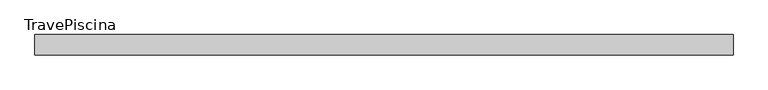
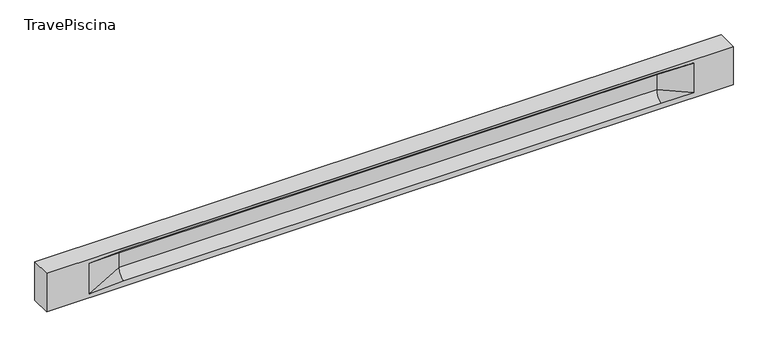
"""IFC4 building model written with IfcOpenShell, lengths in millimetres: beam geometry, TravePiscina."""

from ifc_helpers import new_model, si_unit, frame, origin, place, context, project, spatial, polyline, circle_curve, source, transform, mapped, element, save
from ifc_brep_helpers import plane_surface, revolved_surface, spline_surface, advanced_brep


def travepiscina_7d212b75(model_context):
    return source(origin(), model_context, "Body", "AdvancedBrep", [
        advanced_brep(
        [(8488.0, -250.0, 500.0), (8488.0, -250.0, -500.0), (8488.0, 250.0, -500.0), (8488.0, 250.0, 500.0), (-8488.0, -250.0, 500.0), (-8488.0, -250.0, -500.0), (7513.0, -250.0, -362.0), (6713.0, -250.0, -360.0), (-6588.0, -250.0, -360.0), (-7438.0, -250.0, -400.0), (-7438.0, -250.0, 400.0), (-6588.0, -250.0, 435.0), (6713.0, -250.0, 435.0), (7513.0, -250.0, 400.0), (-8488.0, 250.0, -500.0), (-8488.0, 250.0, 500.0), (7513.0, 250.0, 400.0), (6713.0, 250.0, 435.0), (-6588.0, 250.0, 435.0), (-7438.0, 250.0, 400.0), (-7438.0, 250.0, -400.0), (-6588.0, 250.0, -360.0), (6713.0, 250.0, -360.0), (7513.0, 250.0, -362.0), (6713.0, 155.0, 405.0), (-6588.0, 155.0, 405.0), (-6588.0, -60.0, 262.777021), (6713.0, -60.0, 262.777021), (6713.0, -155.0, 405.0), (-6588.0, -155.0, 405.0), (-6588.0, 60.0, 262.777021), (6713.0, 60.0, 262.777021), (6713.0, 60.0, -120.0), (-6588.0, 60.0, -120.0), (-6588.0, -60.0, -120.0), (6713.0, -60.0, -120.0)],
        [
            (0, 1),
            (1, 2),
            (2, 3),
            (3, 0),
            (0, 4),
            (4, 5),
            (5, 1),
            (6, 7),
            (7, 8),
            (8, 9),
            (9, 10),
            (10, 11),
            (11, 12),
            (12, 13),
            (13, 6),
            (5, 14),
            (14, 2),
            (14, 15),
            (15, 3),
            (16, 17),
            (17, 18),
            (18, 19),
            (19, 20),
            (20, 21),
            (21, 22),
            (22, 23),
            (23, 16),
            (15, 4),
            (17, 24),
            (24, 25),
            (25, 18),
            (26, 27),
            (27, 28, circle_curve(frame((6713.0, -213.9598725, 262.777021), z_axis=(1.0, 0.0, 0.0), x_axis=(0.0, 1.0, 0.0)), 153.9598725)),
            (28, 29),
            (29, 26, circle_curve(frame((-6588.0, -213.9598725, 262.777021), z_axis=(-1.0, 0.0, 0.0), x_axis=(0.0, 1.0, 0.0)), 153.9598725)),
            (30, 31),
            (31, 32),
            (32, 33),
            (33, 30),
            (28, 12),
            (11, 29),
            (34, 35),
            (35, 27),
            (26, 34),
            (25, 19),
            (22, 32, circle_curve(frame((6713.0, 306.5789474, -120.0), z_axis=(-1.0, 0.0, 0.0), x_axis=(0.0, 1.0, 0.0)), 246.5789474)),
            (32, 23),
            (10, 29),
            (10, 26),
            (13, 28),
            (27, 13),
            (30, 19),
            (25, 30, circle_curve(frame((-6588.0, 213.9598725, 262.777021), z_axis=(1.0, 0.0, 0.0), x_axis=(0.0, 1.0, 0.0)), 153.9598725)),
            (9, 34),
            (8, 34, circle_curve(frame((-6588.0, -306.5789474, -120.0), z_axis=(1.0, 0.0, 0.0), x_axis=(0.0, 1.0, 0.0)), 246.5789474)),
            (20, 33),
            (33, 21, circle_curve(frame((-6588.0, 306.5789474, -120.0), z_axis=(1.0, 0.0, 0.0), x_axis=(0.0, 1.0, 0.0)), 246.5789474)),
            (35, 6),
            (35, 7, circle_curve(frame((6713.0, -306.5789474, -120.0), z_axis=(-1.0, 0.0, 0.0), x_axis=(0.0, 1.0, 0.0)), 246.5789474)),
            (31, 16),
            (31, 24, circle_curve(frame((6713.0, 213.9598725, 262.777021), z_axis=(-1.0, 0.0, 0.0), x_axis=(0.0, 1.0, 0.0)), 153.9598725)),
            (24, 16),
        ],
        [
            plane_surface(frame((8488.0, 0.0, 0.0), z_axis=(1.0, 0.0, 0.0), x_axis=(0.0, 0.0, 1.0))),
            plane_surface(frame((8488.0, -250.0, 500.0), z_axis=(0.0, -1.0, 0.0), x_axis=(-1.0, 0.0, 0.0))),
            plane_surface(frame((8488.0, -250.0, -500.0), z_axis=(0.0, 0.0, -1.0), x_axis=(-1.0, 0.0, 0.0))),
            plane_surface(frame((8488.0, 250.0, -500.0), z_axis=(0.0, 1.0, 0.0), x_axis=(-1.0, 0.0, 0.0))),
            plane_surface(frame((8488.0, 250.0, 500.0), z_axis=(0.0, 0.0, 1.0), x_axis=(-1.0, 0.0, 0.0))),
            plane_surface(frame((-6588.0, 250.0, 435.0), z_axis=(0.0, 0.30113136793710954, -0.9535826651341378), x_axis=(1.0, 0.0, 0.0))),
            plane_surface(frame((-8488.0, 0.0, 0.0), z_axis=(-1.0, 0.0, 0.0), x_axis=(0.0, 0.0, 1.0))),
            revolved_surface(polyline([(6713.0, -60.0, 262.777021), (-6588.0, -60.0, 262.777021)]), (-6588.0, -213.9598725, 262.777021), (1.0, 0.0, 0.0)),
            plane_surface(frame((-6588.0, 60.0, 262.777021), z_axis=(0.0, 1.0, 0.0), x_axis=(1.0, 0.0, 0.0))),
            plane_surface(frame((-6588.0, -155.0, 405.0), z_axis=(0.0, -0.30113136793710693, -0.9535826651341387), x_axis=(1.0, 0.0, 0.0))),
            plane_surface(frame((-6588.0, -60.0, -120.0), z_axis=(0.0, -1.0, 0.0), x_axis=(1.0, 0.0, 0.0))),
            plane_surface(frame((-7438.0, 250.0, 400.0), z_axis=(0.03923493491469455, 0.30089950084952793, -0.9528484193567961), x_axis=(0.0, 0.9535826651341378, 0.30113136793710954))),
            spline_surface(2, 1, [[(6713.0, 250.0, -360.0), (7513.0, 250.0, -362.0)], [(6713.0, 60.00000002887427, -315.20833329480604), (7513.0, 250.0, -362.0)], [(6713.0, 60.0, -120.0), (7513.0, 250.0, -362.0)]], [3, 3], [2, 2], [0.0, 1.0], [0.0, 1.0], weights=[[1.0, 1.0], [0.7840458245391329, 0.7840458245391329], [1.0, 1.0]]),
            plane_surface(frame((-7438.0, -250.0, 400.0), z_axis=(0.039234934914694576, -0.3008995008495253, -0.952848419356797), x_axis=(0.0, 0.9535826651341387, -0.30113136793710693))),
            spline_surface(2, 1, [[(-7438.0, -250.0, 400.0), (-6588.0, -155.0, 405.0)], [(-7438.0, -250.0, 400.0), (-6588.0, -60.00000008030692, 365.6168572114734)], [(-7438.0, -250.0, 400.0), (-6588.0, -60.0, 262.777021)]], [3, 3], [2, 2], [0.0, 1.0], [0.0, 1.0], weights=[[1.0, 1.0], [0.8315515924557569, 0.8315515924557569], [1.0, 1.0]]),
            spline_surface(2, 1, [[(6713.0, -155.0, 405.0), (7513.0, -250.0, 400.0)], [(6713.0, -60.00000008030692, 365.6168572114734), (7513.0, -250.0, 400.0)], [(6713.0, -60.0, 262.777021), (7513.0, -250.0, 400.0)]], [3, 3], [2, 2], [0.0, 1.0], [0.0, 1.0], weights=[[1.0, 1.0], [0.8315515924557569, 0.8315515924557569], [1.0, 1.0]]),
            plane_surface(frame((6713.0, -202.5, 420.0), z_axis=(-0.041682982855687514, -0.30086965068766125, -0.9527538938442274), x_axis=(0.0, 0.9535826651341387, -0.30113136793710693))),
            spline_surface(2, 1, [[(-7438.0, 250.0, 400.0), (-6588.0, 60.0, 262.777021)], [(-7438.0, 250.0, 400.0), (-6588.0, 59.99999995452379, 365.6168572954922)], [(-7438.0, 250.0, 400.0), (-6588.0, 155.0, 405.0)]], [3, 3], [2, 2], [0.0, 1.0], [0.0, 1.0], weights=[[1.0, 1.0], [0.8315515921160737, 0.8315515921160737], [1.0, 1.0]]),
            plane_surface(frame((-7438.0, -250.0, 0.0), z_axis=(0.21814596370705333, -0.9759161534262669, 0.0), x_axis=(0.0, 0.0, -1.0))),
            spline_surface(2, 1, [[(-7438.0, -250.0, -400.0), (-6588.0, -60.0, -120.0)], [(-7438.0, -250.0, -400.0), (-6588.0, -59.99999998020837, -315.20833333333337)], [(-7438.0, -250.0, -400.0), (-6588.0, -250.0, -360.0)]], [3, 3], [2, 2], [0.0, 1.0], [0.0, 1.0], weights=[[1.0, 1.0], [0.7840458244617614, 0.7840458244617614], [1.0, 1.0]]),
            spline_surface(2, 1, [[(-7438.0, 250.0, -400.0), (-6588.0, 250.0, -360.0)], [(-7438.0, 250.0, -400.0), (-6588.0, 60.00000002887427, -315.20833329480604)], [(-7438.0, 250.0, -400.0), (-6588.0, 60.0, -120.0)]], [3, 3], [2, 2], [0.0, 1.0], [0.0, 1.0], weights=[[1.0, 1.0], [0.7840458245391329, 0.7840458245391329], [1.0, 1.0]]),
            plane_surface(frame((-7438.0, 250.0, 0.0), z_axis=(0.2181459637070493, 0.9759161534262679, 0.0), x_axis=(0.0, 0.0, 1.0))),
            plane_surface(frame((6713.0, -60.0, 71.3885105), z_axis=(-0.23107243079589768, -0.9729365507195602, 0.0), x_axis=(0.0, 0.0, -1.0))),
            spline_surface(2, 1, [[(6713.0, -60.0, -120.0), (7513.0, -250.0, -362.0)], [(6713.0, -59.99999998020837, -315.20833333333337), (7513.0, -250.0, -362.0)], [(6713.0, -250.0, -360.0), (7513.0, -250.0, -362.0)]], [3, 3], [2, 2], [0.0, 1.0], [0.0, 1.0], weights=[[1.0, 1.0], [0.7840458244617614, 0.7840458244617614], [1.0, 1.0]]),
            plane_surface(frame((6713.0, 60.0, 71.3885105), z_axis=(-0.2310724307958912, 0.9729365507195616, 0.0), x_axis=(0.0, 0.0, 1.0))),
            spline_surface(2, 1, [[(6713.0, 60.0, 262.777021), (7513.0, 250.0, 400.0)], [(6713.0, 59.99999995452379, 365.6168572954922), (7513.0, 250.0, 400.0)], [(6713.0, 155.0, 405.0), (7513.0, 250.0, 400.0)]], [3, 3], [2, 2], [0.0, 1.0], [0.0, 1.0], weights=[[1.0, 1.0], [0.8315515921160737, 0.8315515921160737], [1.0, 1.0]]),
            plane_surface(frame((6713.0, 202.5, 420.0), z_axis=(-0.04168298285568677, 0.30086965068766386, -0.9527538938442265), x_axis=(0.0, 0.9535826651341378, 0.30113136793710954))),
            revolved_surface(polyline([(6713.0, 367.919745, 262.777021), (-6588.0, 367.919745, 262.777021)]), (-6588.0, 213.9598725, 262.777021), (1.0, 0.0, 0.0)),
            revolved_surface(polyline([(6713.0, 553.1578948, -120.0), (-6588.0, 553.1578948, -120.0)]), (-6588.0, 306.5789474, -120.0), (1.0, 0.0, 0.0)),
            revolved_surface(polyline([(6713.0, -60.0, -120.0), (-6588.0, -60.0, -120.0)]), (-6588.0, -306.5789474, -120.0), (1.0, 0.0, 0.0)),
        ],
        [
            (0, [[1, 2, 3, 4]]),
            (1, [[-1, 5, 6, 7], [8, 9, 10, 11, 12, 13, 14, 15]]),
            (2, [[-2, -7, 16, 17]]),
            (3, [[-3, -17, 18, 19], [20, 21, 22, 23, 24, 25, 26, 27]]),
            (4, [[-5, -4, -19, 28]]),
            (5, [[-21, 29, 30, 31]]),
            (6, [[-28, -18, -16, -6]]),
            (7, [[32, 33, 34, 35]]),
            (8, [[36, 37, 38, 39]]),
            (9, [[-34, 40, -13, 41]]),
            (10, [[42, 43, -32, 44]]),
            (11, [[45, -22, -31]]),
            (12, [[-26, 46, 47]]),
            (13, [[-12, 48, -41]]),
            (14, [[-48, 49, -35]]),
            (15, [[50, -33, 51]]),
            (16, [[-14, -40, -50]]),
            (17, [[52, -45, 53]]),
            (18, [[-49, -11, 54, -44]]),
            (19, [[-54, -10, 55]]),
            (20, [[-24, 56, 57]]),
            (21, [[-52, -39, -56, -23]]),
            (22, [[-51, -43, 58, -15]]),
            (23, [[-58, 59, -8]]),
            (24, [[-47, -37, 60, -27]]),
            (25, [[-60, 61, 62]]),
            (26, [[-62, -29, -20]]),
            (27, [[-30, -61, -36, -53]]),
            (28, [[-38, -46, -25, -57]]),
            (29, [[-9, -59, -42, -55]]),
        ],
    ),
    ])


if __name__ == "__main__":
    model = new_model("IFC4")
    model_context = context("Model", 3, world=origin())
    ifc_project = project(units=[si_unit("LENGTHUNIT", "METRE", prefix="MILLI")], contexts=[model_context])
    site = spatial("IfcSite", under=ifc_project)
    building = spatial("IfcBuilding", under=site)
    placement = place(None, origin())
    travepiscina_shape = travepiscina_7d212b75(model_context)
    element("IfcBeam", 1, ObjectType="TravePiscina", at=placement, inside=building, context=model_context, shape_type="MappedRepresentation", body=[
        mapped(travepiscina_shape, transform((0.0, 0.0, 0.0), x_axis=(1.0, 0.0, 0.0), y_axis=(0.0, 1.0, 0.0), z_axis=(0.0, 0.0, 1.0))),
    ])
    save(model, "model.ifc")
